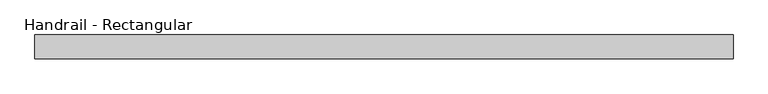
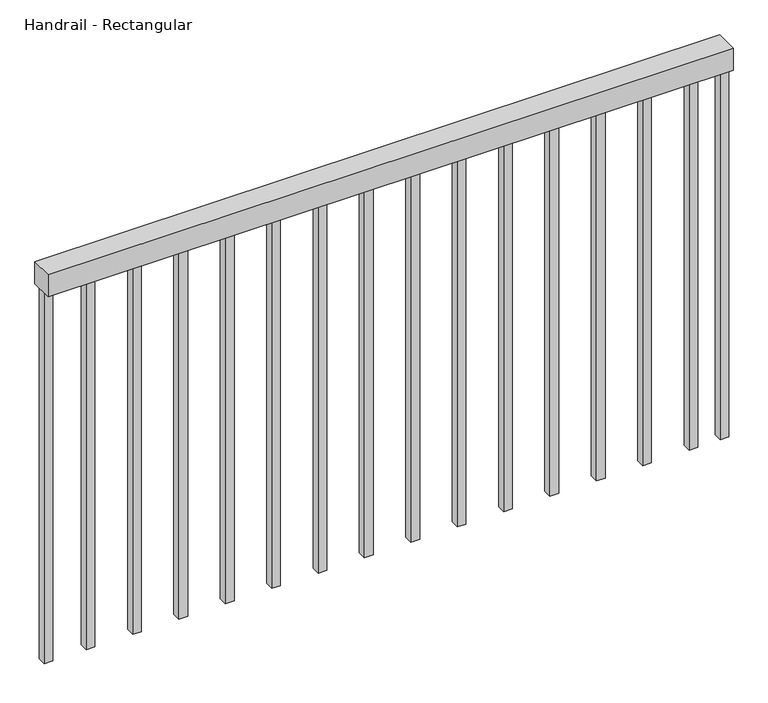
"""IFC4 building model written with IfcOpenShell, lengths in millimetres: railing geometry, Handrail - Rectangular."""

from ifc_helpers import new_model, si_unit, frame, origin, place, context, project, spatial, polyline, outline, extrude, source, transform, mapped, element, save


def handrail_rectangular_98816d8a(model_context):
    return source(origin(), model_context, "Body", "SweptSolid", [
        extrude(outline(polyline([(6573.797955, 6318.853017), (6573.797955, 6369.653017), (8073.797955, 6369.653017), (8073.797955, 6318.853017), (6573.797955, 6318.853017)])), frame((0.0, 0.0, 3899.2), z_axis=(0.0, 0.0, 1.0), x_axis=(1.0, 0.0, 0.0)), (0.0, 0.0, 1.0), 50.8),
        extrude(outline(polyline([(7986.672955, 6334.728017), (7986.672955, 6353.778017), (8005.722955, 6353.778017), (8005.722955, 6334.728017), (7986.672955, 6334.728017)])), frame((0.0, 0.0, 3040.0), z_axis=(0.0, 0.0, 1.0), x_axis=(1.0, 0.0, 0.0)), (0.0, 0.0, 1.0), 859.2),
        extrude(outline(polyline([(7885.072955, 6334.728017), (7885.072955, 6353.778017), (7904.122955, 6353.778017), (7904.122955, 6334.728017), (7885.072955, 6334.728017)])), frame((0.0, 0.0, 3040.0), z_axis=(0.0, 0.0, 1.0), x_axis=(1.0, 0.0, 0.0)), (0.0, 0.0, 1.0), 859.2),
        extrude(outline(polyline([(7783.472955, 6334.728017), (7783.472955, 6353.778017), (7802.522955, 6353.778017), (7802.522955, 6334.728017), (7783.472955, 6334.728017)])), frame((0.0, 0.0, 3040.0), z_axis=(0.0, 0.0, 1.0), x_axis=(1.0, 0.0, 0.0)), (0.0, 0.0, 1.0), 859.2),
        extrude(outline(polyline([(7681.872955, 6334.728017), (7681.872955, 6353.778017), (7700.922955, 6353.778017), (7700.922955, 6334.728017), (7681.872955, 6334.728017)])), frame((0.0, 0.0, 3040.0), z_axis=(0.0, 0.0, 1.0), x_axis=(1.0, 0.0, 0.0)), (0.0, 0.0, 1.0), 859.2),
        extrude(outline(polyline([(7580.272955, 6334.728017), (7580.272955, 6353.778017), (7599.322955, 6353.778017), (7599.322955, 6334.728017), (7580.272955, 6334.728017)])), frame((0.0, 0.0, 3040.0), z_axis=(0.0, 0.0, 1.0), x_axis=(1.0, 0.0, 0.0)), (0.0, 0.0, 1.0), 859.2),
        extrude(outline(polyline([(7478.672955, 6334.728017), (7478.672955, 6353.778017), (7497.722955, 6353.778017), (7497.722955, 6334.728017), (7478.672955, 6334.728017)])), frame((0.0, 0.0, 3040.0), z_axis=(0.0, 0.0, 1.0), x_axis=(1.0, 0.0, 0.0)), (0.0, 0.0, 1.0), 859.2),
        extrude(outline(polyline([(7377.072955, 6334.728017), (7377.072955, 6353.778017), (7396.122955, 6353.778017), (7396.122955, 6334.728017), (7377.072955, 6334.728017)])), frame((0.0, 0.0, 3040.0), z_axis=(0.0, 0.0, 1.0), x_axis=(1.0, 0.0, 0.0)), (0.0, 0.0, 1.0), 859.2),
        extrude(outline(polyline([(7275.472955, 6334.728017), (7275.472955, 6353.778017), (7294.522955, 6353.778017), (7294.522955, 6334.728017), (7275.472955, 6334.728017)])), frame((0.0, 0.0, 3040.0), z_axis=(0.0, 0.0, 1.0), x_axis=(1.0, 0.0, 0.0)), (0.0, 0.0, 1.0), 859.2),
        extrude(outline(polyline([(7173.872955, 6334.728017), (7173.872955, 6353.778017), (7192.922955, 6353.778017), (7192.922955, 6334.728017), (7173.872955, 6334.728017)])), frame((0.0, 0.0, 3040.0), z_axis=(0.0, 0.0, 1.0), x_axis=(1.0, 0.0, 0.0)), (0.0, 0.0, 1.0), 859.2),
        extrude(outline(polyline([(7072.272955, 6334.728017), (7072.272955, 6353.778017), (7091.322955, 6353.778017), (7091.322955, 6334.728017), (7072.272955, 6334.728017)])), frame((0.0, 0.0, 3040.0), z_axis=(0.0, 0.0, 1.0), x_axis=(1.0, 0.0, 0.0)), (0.0, 0.0, 1.0), 859.2),
        extrude(outline(polyline([(6970.672955, 6334.728017), (6970.672955, 6353.778017), (6989.722955, 6353.778017), (6989.722955, 6334.728017), (6970.672955, 6334.728017)])), frame((0.0, 0.0, 3040.0), z_axis=(0.0, 0.0, 1.0), x_axis=(1.0, 0.0, 0.0)), (0.0, 0.0, 1.0), 859.2),
        extrude(outline(polyline([(6869.072955, 6334.728017), (6869.072955, 6353.778017), (6888.122955, 6353.778017), (6888.122955, 6334.728017), (6869.072955, 6334.728017)])), frame((0.0, 0.0, 3040.0), z_axis=(0.0, 0.0, 1.0), x_axis=(1.0, 0.0, 0.0)), (0.0, 0.0, 1.0), 859.2),
        extrude(outline(polyline([(6767.472955, 6334.728017), (6767.472955, 6353.778017), (6786.522955, 6353.778017), (6786.522955, 6334.728017), (6767.472955, 6334.728017)])), frame((0.0, 0.0, 3040.0), z_axis=(0.0, 0.0, 1.0), x_axis=(1.0, 0.0, 0.0)), (0.0, 0.0, 1.0), 859.2),
        extrude(outline(polyline([(6665.872955, 6334.728017), (6665.872955, 6353.778017), (6684.922955, 6353.778017), (6684.922955, 6334.728017), (6665.872955, 6334.728017)])), frame((0.0, 0.0, 3040.0), z_axis=(0.0, 0.0, 1.0), x_axis=(1.0, 0.0, 0.0)), (0.0, 0.0, 1.0), 859.2),
        extrude(outline(polyline([(8054.772955, 6334.728017), (8054.772955, 6353.778017), (8073.822955, 6353.778017), (8073.822955, 6334.728017), (8054.772955, 6334.728017)])), frame((0.0, 0.0, 3040.0), z_axis=(0.0, 0.0, 1.0), x_axis=(1.0, 0.0, 0.0)), (0.0, 0.0, 1.0), 859.2),
        extrude(outline(polyline([(6573.772955, 6334.728017), (6573.772955, 6353.778017), (6592.822955, 6353.778017), (6592.822955, 6334.728017), (6573.772955, 6334.728017)])), frame((0.0, 0.0, 3040.0), z_axis=(0.0, 0.0, 1.0), x_axis=(1.0, 0.0, 0.0)), (0.0, 0.0, 1.0), 859.2),
    ])


if __name__ == "__main__":
    model = new_model("IFC4")
    model_context = context("Model", 3, world=origin())
    ifc_project = project(units=[si_unit("LENGTHUNIT", "METRE", prefix="MILLI")], contexts=[model_context])
    site = spatial("IfcSite", under=ifc_project)
    building = spatial("IfcBuilding", under=site)
    placement = place(None, origin())
    handrail_rectangular_shape = handrail_rectangular_98816d8a(model_context)
    element("IfcRailing", 1, ObjectType="Handrail - Rectangular", at=placement, inside=building, context=model_context, shape_type="MappedRepresentation", body=[
        mapped(handrail_rectangular_shape, transform((0.0, 0.0, 0.0), x_axis=(1.0, 0.0, 0.0), y_axis=(0.0, 1.0, 0.0), z_axis=(0.0, 0.0, 1.0))),
    ])
    save(model, "model.ifc")
